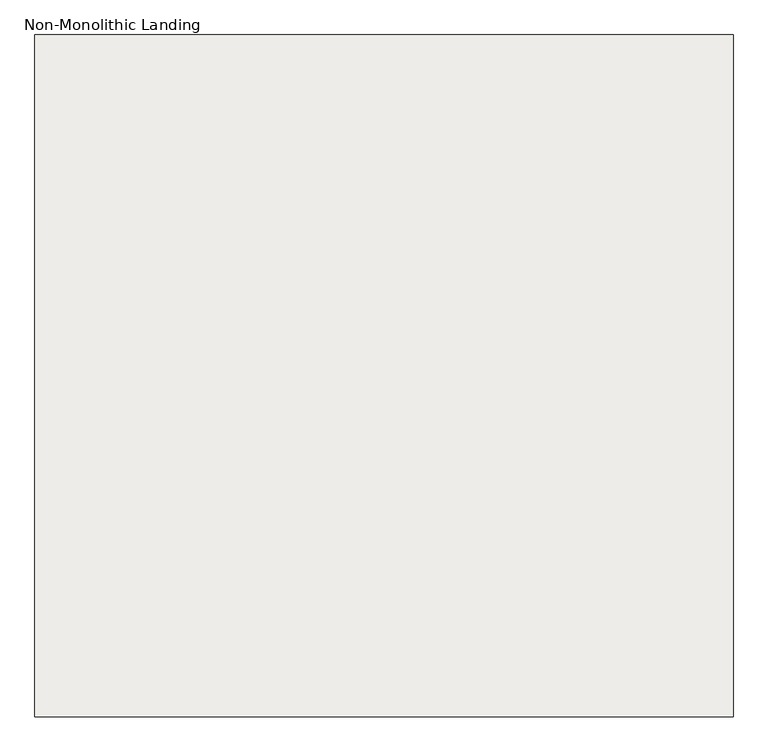
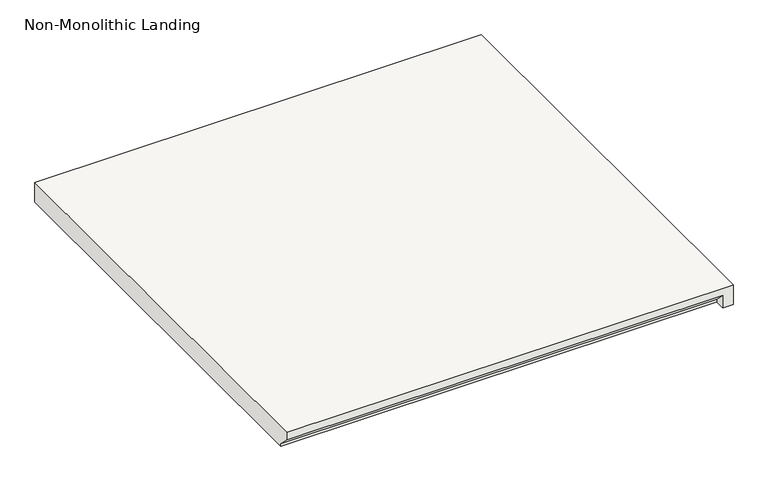
"""IFC4 building model written with IfcOpenShell, lengths in millimetres: slab geometry, Non-Monolithic Landing."""

from ifc_helpers import new_model, si_unit, origin, place, context, project, spatial, faceted_brep, source, transform, mapped, element, save


def non_monolithic_landing_abe35be6(model_context):
    return source(origin(), model_context, "Body", "Brep", [
        faceted_brep([(34845.7697162, -5622.8453523, 993.9617647), (34845.7697162, -5597.4453523, 968.5617647), (35912.5697162, -5597.4453523, 968.5617647), (35912.5697162, -5622.8453523, 993.9617647), (35937.9697162, -5622.8453523, 1013.0117647), (35937.9697162, -4556.0453523, 1013.0117647), (35912.5697162, -4556.0453523, 1013.0117647), (34845.7697162, -4556.0453523, 1013.0117647), (34845.7697162, -5622.8453523, 1013.0117647), (35912.5697162, -5597.4453523, 962.2117647), (34845.7697162, -5597.4453523, 962.2117647), (34845.7697162, -4556.0453523, 962.2117647), (35912.5697162, -4556.0453523, 962.2117647), (35937.9697162, -4556.0453523, 962.2117647), (35937.9697162, -5622.8453523, 962.2117647), (35912.5697162, -5622.8453523, 962.2117647)], [[[0, 1, 2, 3]], [[4, 5, 6, 7, 8]], [[9, 10, 11, 12, 13, 14, 15]], [[10, 9, 2, 1]], [[9, 15, 3, 2]], [[4, 8, 0, 3, 15, 14]], [[5, 4, 14, 13]], [[6, 5, 13, 12]], [[7, 6, 12, 11]], [[8, 7, 11, 10, 1, 0]]]),
    ])


if __name__ == "__main__":
    model = new_model("IFC4")
    model_context = context("Model", 3, world=origin())
    ifc_project = project(units=[si_unit("LENGTHUNIT", "METRE", prefix="MILLI")], contexts=[model_context])
    site = spatial("IfcSite", under=ifc_project)
    building = spatial("IfcBuilding", under=site)
    placement = place(None, origin())
    non_monolithic_landing_shape = non_monolithic_landing_abe35be6(model_context)
    element("IfcSlab", 1, ObjectType="Non-Monolithic Landing", at=placement, inside=building, context=model_context, shape_type="MappedRepresentation", body=[
        mapped(non_monolithic_landing_shape, transform((0.0, 0.0, 0.0), x_axis=(1.0, 0.0, 0.0), y_axis=(0.0, 1.0, 0.0), z_axis=(0.0, 0.0, 1.0))),
    ])
    save(model, "model.ifc")
